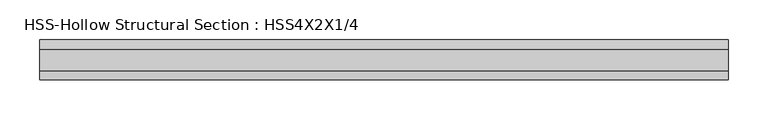
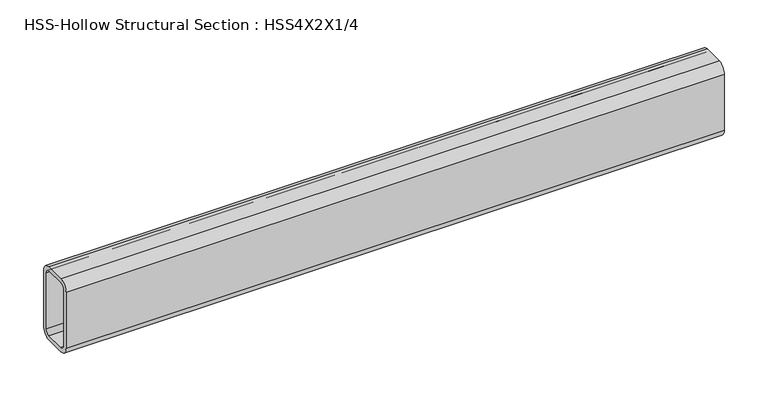
"""IFC4 building model written with IfcOpenShell, lengths in millimetres: beam geometry, HSS-Hollow Structural Section : HSS4X2X1/4."""

from ifc_helpers import new_model, si_unit, point, frame, frame_2d, origin, place, context, project, spatial, polyline, circle_curve, trimmed, segment, composite_curve, outline, extrude, source, transform, mapped, element, save


def hss_hollow_structural_section_hss4x2x1_4_0654e99e(model_context):
    return source(origin(), model_context, "Body", "SweptSolid", [
        extrude(outline(composite_curve([segment(polyline([(25.4, 38.9636), (25.4, -38.9636)]), True, "CONTINUOUS"), segment(trimmed(circle_curve(frame_2d((13.5636, -38.9636)), 11.8364), [point((25.4, -38.9636))], [point((13.5636, -50.8))], False, "CARTESIAN"), True, "CONTINUOUS"), segment(polyline([(13.5636, -50.8), (-13.5636, -50.8)]), True, "CONTINUOUS"), segment(trimmed(circle_curve(frame_2d((-13.5636, -38.9636)), 11.8364), [point((-13.5636, -50.8))], [point((-25.4, -38.9636))], False, "CARTESIAN"), True, "CONTINUOUS"), segment(polyline([(-25.4, -38.9636), (-25.4, 38.9636)]), True, "CONTINUOUS"), segment(trimmed(circle_curve(frame_2d((-13.5636, 38.9636)), 11.8364), [point((-25.4, 38.9636))], [point((-13.5636, 50.8))], False, "CARTESIAN"), True, "CONTINUOUS"), segment(polyline([(-13.5636, 50.8), (13.5636, 50.8)]), True, "CONTINUOUS"), segment(trimmed(circle_curve(frame_2d((13.5636, 38.9636)), 11.8364), [point((13.5636, 50.8))], [point((25.4, 38.9636))], False, "CARTESIAN"), True, "CONTINUOUS")], self_intersect=False), holes=[composite_curve([segment(trimmed(circle_curve(frame_2d((-13.5636, 38.9636)), 5.9182), [point((-13.5636, 44.8818))], [point((-19.4818, 38.9636))], True, "CARTESIAN"), True, "CONTINUOUS"), segment(polyline([(-19.4818, 38.9636), (-19.4818, -38.9636)]), True, "CONTINUOUS"), segment(trimmed(circle_curve(frame_2d((-13.5636, -38.9636)), 5.9182), [point((-19.4818, -38.9636))], [point((-13.5636, -44.8818))], True, "CARTESIAN"), True, "CONTINUOUS"), segment(polyline([(-13.5636, -44.8818), (13.5636, -44.8818)]), True, "CONTINUOUS"), segment(trimmed(circle_curve(frame_2d((13.5636, -38.9636)), 5.9182), [point((13.5636, -44.8818))], [point((19.4818, -38.9636))], True, "CARTESIAN"), True, "CONTINUOUS"), segment(polyline([(19.4818, -38.9636), (19.4818, 38.9636)]), True, "CONTINUOUS"), segment(trimmed(circle_curve(frame_2d((13.5636, 38.9636)), 5.9182), [point((19.4818, 38.9636))], [point((13.5636, 44.8818))], True, "CARTESIAN"), True, "CONTINUOUS"), segment(polyline([(13.5636, 44.8818), (-13.5636, 44.8818)]), True, "CONTINUOUS")], self_intersect=False)]), frame((-445.7224965, 0.0, 0.0), z_axis=(1.0, 0.0, 0.0), x_axis=(0.0, 1.0, 0.0)), (0.0, 0.0, 1.0), 867.8901688),
    ])


if __name__ == "__main__":
    model = new_model("IFC4")
    model_context = context("Model", 3, world=origin())
    ifc_project = project(units=[si_unit("LENGTHUNIT", "METRE", prefix="MILLI")], contexts=[model_context])
    site = spatial("IfcSite", under=ifc_project)
    building = spatial("IfcBuilding", under=site)
    placement = place(None, origin())
    hss_hollow_structural_section_hss4x2x1_4_shape = hss_hollow_structural_section_hss4x2x1_4_0654e99e(model_context)
    element("IfcBeam", 1, ObjectType="HSS-Hollow Structural Section : HSS4X2X1/4", at=placement, inside=building, context=model_context, shape_type="MappedRepresentation", body=[
        mapped(hss_hollow_structural_section_hss4x2x1_4_shape, transform((0.0, 0.0, 0.0), x_axis=(1.0, 0.0, 0.0), y_axis=(0.0, 1.0, 0.0), z_axis=(0.0, 0.0, 1.0))),
    ])
    save(model, "model.ifc")
